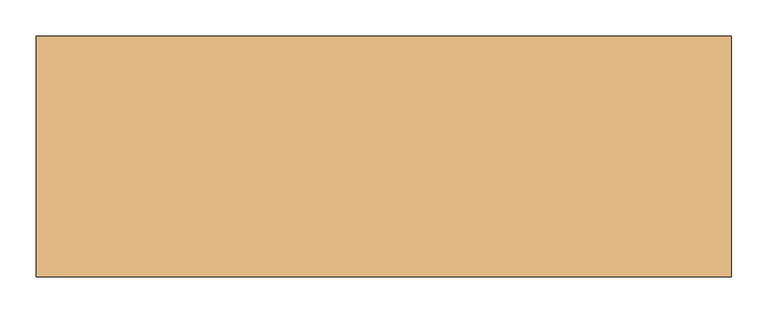
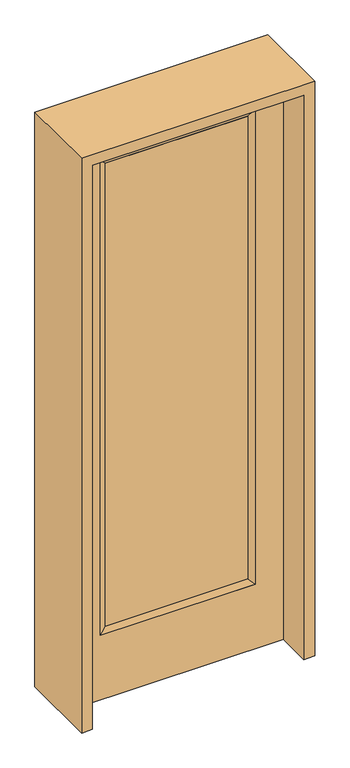
"""IFC4 building model written with IfcOpenShell, lengths in millimetres: door geometry."""

from ifc_helpers import new_model, si_unit, frame, origin, place, context, project, spatial, polyline, outline, extrude, faceted_brep, source, transform, mapped, element, save


def door_1425d1b7(model_context):
    return source(origin(), model_context, "Body", "SolidModel", [
        extrude(outline(polyline([(290.9824, -12.7039749), (-290.9824, -12.7039749), (-290.9824, 14.2875), (290.9824, 14.2875), (290.9824, -12.7039749)])), frame((0.0, 0.0, 304.8), z_axis=(0.0, 0.0, 1.0), x_axis=(1.0, 0.0, 0.0)), (0.0, 0.0, 1.0), 2000.25),
        faceted_brep([(290.9824, 14.2875, 2305.05), (316.3824, 22.225, 2330.45), (316.3824, 22.225, 279.4), (290.9824, 14.2875, 304.8), (316.3824, -22.225, 2330.45), (316.3824, -22.225, 279.4), (-316.3824, 22.225, 279.4), (-290.9824, 14.2875, 304.8), (290.9824, -12.7039749, 2305.05), (290.9824, -12.7039749, 304.8), (-290.9824, -12.7039749, 304.8), (-316.3824, -22.225, 279.4), (-316.3824, 22.225, 2330.45), (-290.9824, 14.2875, 2305.05), (-290.9824, -12.7039749, 2305.05), (-316.3824, -22.225, 2330.45)], [[[0, 1, 2, 3]], [[1, 4, 5, 2]], [[3, 2, 6, 7]], [[8, 0, 3, 9]], [[9, 3, 7, 10]], [[4, 8, 9, 5]], [[5, 9, 10, 11]], [[2, 5, 11, 6]], [[7, 6, 12, 13]], [[10, 7, 13, 14]], [[11, 10, 14, 15]], [[6, 11, 15, 12]], [[13, 12, 1, 0]], [[14, 13, 0, 8]], [[15, 14, 8, 4]], [[12, 15, 4, 1]]]),
        extrude(outline(polyline([(0.0, -431.8), (0.0, 431.8), (2438.4, 431.8), (2438.4, -431.8), (0.0, -431.8)]), holes=[polyline([(279.4, -316.3824), (2330.45, -316.3824), (2330.45, 316.3824), (279.4, 316.3824), (279.4, -316.3824)])]), frame((0.0, -22.225, 0.0), z_axis=(0.0, 1.0, 0.0), x_axis=(0.0, 0.0, 1.0)), (0.0, 0.0, 1.0), 44.45),
        extrude(outline(polyline([(2482.85, -476.25), (0.0, -476.25), (0.0, -431.8), (2438.4, -431.8), (2438.4, 431.8), (0.0, 431.8), (0.0, 476.25), (2482.85, 476.25), (2482.85, -476.25)])), frame((0.0, -165.1, 0.0), z_axis=(0.0, 1.0, 0.0), x_axis=(0.0, 0.0, 1.0)), (0.0, 0.0, 1.0), 330.2),
    ])


if __name__ == "__main__":
    model = new_model("IFC4")
    model_context = context("Model", 3, world=origin())
    ifc_project = project(units=[si_unit("LENGTHUNIT", "METRE", prefix="MILLI")], contexts=[model_context])
    site = spatial("IfcSite", under=ifc_project)
    building = spatial("IfcBuilding", under=site)
    placement = place(None, origin())
    door_shape = door_1425d1b7(model_context)
    element("IfcDoor", 1, at=placement, inside=building, context=model_context, shape_type="MappedRepresentation", body=[
        mapped(door_shape, transform((0.0, 0.0, 0.0), x_axis=(1.0, 0.0, 0.0), y_axis=(0.0, 1.0, 0.0), z_axis=(0.0, 0.0, 1.0))),
    ])
    save(model, "model.ifc")
